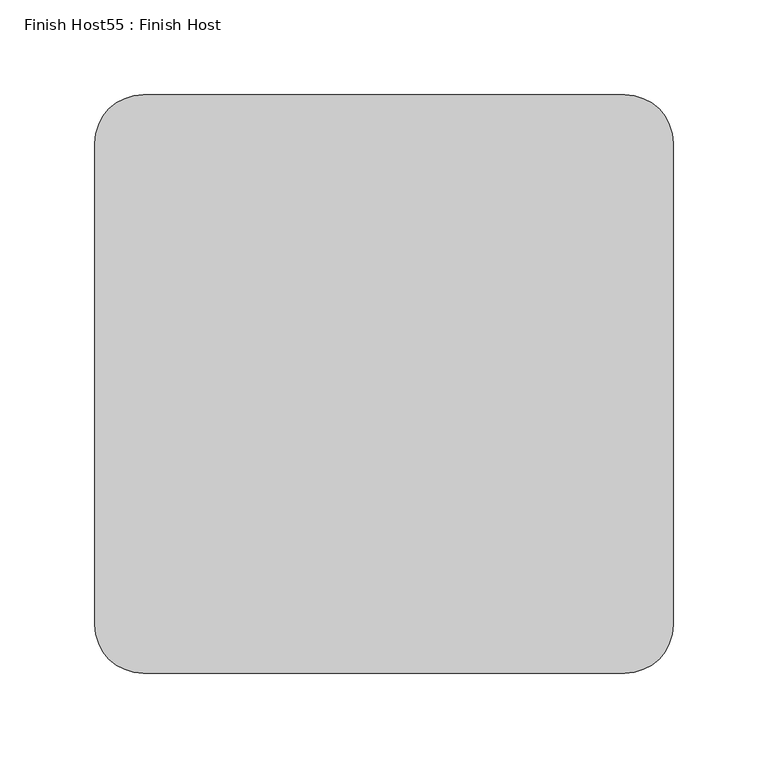
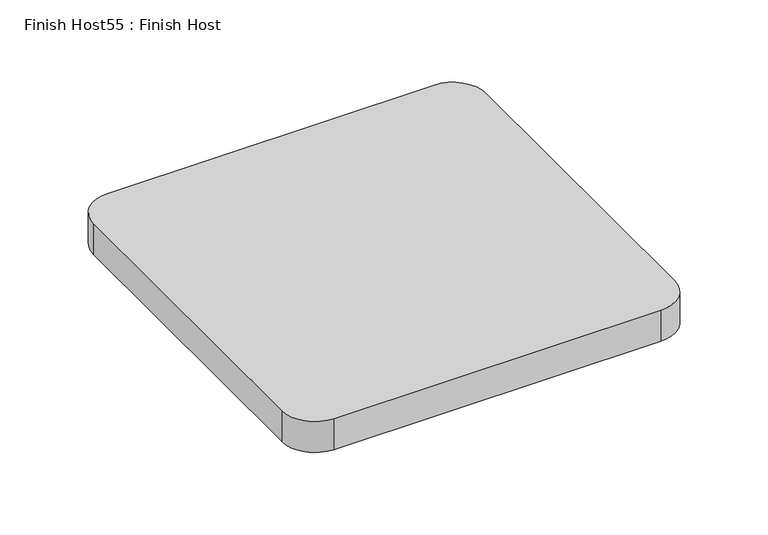
"""IFC4 building model written with IfcOpenShell, lengths in millimetres: proxy geometry, Finish Host55 : Finish Host."""

from ifc_helpers import new_model, si_unit, point, frame_2d, origin, origin_with_axes, place, context, project, spatial, polyline, circle_curve, trimmed, segment, composite_curve, outline, extrude, source, transform, mapped, element, save


def finish_host55_finish_host_c2976ace(model_context):
    return source(origin(), model_context, "Body", "SweptSolid", [
        extrude(outline(composite_curve([segment(polyline([(10690.3478493, 1206.8122951), (10690.3478493, 1460.8122951)]), True, "CONTINUOUS"), segment(trimmed(circle_curve(frame_2d((10715.7478493, 1460.8122951)), 25.4), [point((10690.3478493, 1460.8122951))], [point((10715.7478493, 1486.2122951))], False, "CARTESIAN"), True, "CONTINUOUS"), segment(polyline([(10715.7478493, 1486.2122951), (10969.7478493, 1486.2122951)]), True, "CONTINUOUS"), segment(trimmed(circle_curve(frame_2d((10969.7478493, 1460.8122951)), 25.4), [point((10969.7478493, 1486.2122951))], [point((10995.1478493, 1460.8122951))], False, "CARTESIAN"), True, "CONTINUOUS"), segment(polyline([(10995.1478493, 1460.8122951), (10995.1478493, 1206.8122951)]), True, "CONTINUOUS"), segment(trimmed(circle_curve(frame_2d((10969.7478493, 1206.8122951)), 25.4), [point((10995.1478493, 1206.8122951))], [point((10969.7478493, 1181.4122951))], False, "CARTESIAN"), True, "CONTINUOUS"), segment(polyline([(10969.7478493, 1181.4122951), (10715.7478493, 1181.4122951)]), True, "CONTINUOUS"), segment(trimmed(circle_curve(frame_2d((10715.7478493, 1206.8122951)), 25.4), [point((10715.7478493, 1181.4122951))], [point((10690.3478493, 1206.8122951))], False, "CARTESIAN"), True, "CONTINUOUS")], self_intersect=False)), origin_with_axes(), (0.0, 0.0, 1.0), 25.4),
    ])


if __name__ == "__main__":
    model = new_model("IFC4")
    model_context = context("Model", 3, world=origin())
    ifc_project = project(units=[si_unit("LENGTHUNIT", "METRE", prefix="MILLI")], contexts=[model_context])
    site = spatial("IfcSite", under=ifc_project)
    building = spatial("IfcBuilding", under=site)
    placement = place(None, origin())
    finish_host55_finish_host_shape = finish_host55_finish_host_c2976ace(model_context)
    element("IfcBuildingElementProxy", 1, Name="Finish Host55 : Finish Host", ObjectType="Finish Host55 : Finish Host", at=placement, inside=building, context=model_context, shape_type="MappedRepresentation", body=[
        mapped(finish_host55_finish_host_shape, transform((0.0, 0.0, 0.0), x_axis=(1.0, 0.0, 0.0), y_axis=(0.0, 1.0, 0.0), z_axis=(0.0, 0.0, 1.0))),
    ])
    save(model, "model.ifc")
